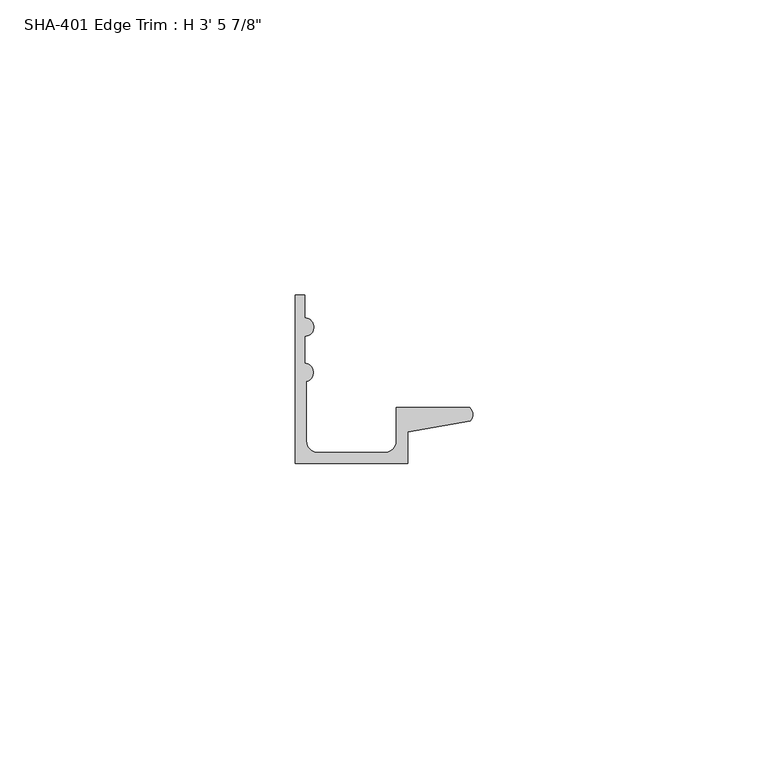
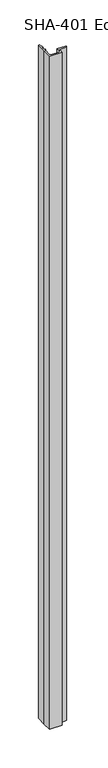
"""IFC4 building model written with IfcOpenShell, lengths in millimetres: proxy geometry."""

from ifc_helpers import new_model, si_unit, point, frame_2d, origin, origin_with_axes, place, context, project, spatial, polyline, circle_curve, trimmed, segment, composite_curve, outline, extrude, source, transform, mapped, element, save


def proxy_ce0f4db1(model_context):
    return source(origin(), model_context, "Body", "SweptSolid", [
        extrude(outline(composite_curve([segment(polyline([(29.6006869, 7.2036308), (19.0246, 5.392657), (19.0246, 0.0), (0.0, 0.0), (0.0, 13.8696178), (0.0, 28.575), (1.5748, 28.575), (1.5748, 24.7045919)]), True, "CONTINUOUS"), segment(trimmed(circle_curve(frame_2d((1.5748, 23.1297919)), 1.5748), [point((1.5748, 24.7045919))], [point((1.5748, 21.5549919))], False, "CARTESIAN"), True, "CONTINUOUS"), segment(polyline([(1.5748, 21.5549919), (1.5748, 17.018)]), True, "CONTINUOUS"), segment(trimmed(circle_curve(frame_2d((1.4838146, 15.4432)), 1.5774262), [point((1.5748, 17.018))], [point((1.905, 13.9230434))], False, "CARTESIAN"), True, "CONTINUOUS"), segment(polyline([(1.905, 13.9230434), (1.905, 3.81)]), True, "CONTINUOUS"), segment(trimmed(circle_curve(frame_2d((3.81, 3.81)), 1.905), [point((1.905, 3.81))], [point((3.81, 1.905))], True, "CARTESIAN"), True, "CONTINUOUS"), segment(polyline([(3.81, 1.905), (15.2146, 1.905)]), True, "CONTINUOUS"), segment(trimmed(circle_curve(frame_2d((15.2146, 3.81)), 1.905), [point((15.2146, 1.905))], [point((17.1196, 3.81))], True, "CARTESIAN"), True, "CONTINUOUS"), segment(polyline([(17.1196, 3.81), (17.1196, 9.525), (29.5346031, 9.525)]), True, "CONTINUOUS"), segment(trimmed(circle_curve(frame_2d((28.4438454, 8.3323235)), 1.6162393), [point((29.5346031, 9.525))], [point((29.6006869, 7.2036308))], False, "CARTESIAN"), True, "CONTINUOUS")], self_intersect=False)), origin_with_axes(), (0.0, 0.0, 1.0), 1063.625),
    ])


if __name__ == "__main__":
    model = new_model("IFC4")
    model_context = context("Model", 3, world=origin())
    ifc_project = project(units=[si_unit("LENGTHUNIT", "METRE", prefix="MILLI")], contexts=[model_context])
    site = spatial("IfcSite", under=ifc_project)
    building = spatial("IfcBuilding", under=site)
    placement = place(None, origin())
    proxy_shape = proxy_ce0f4db1(model_context)
    element("IfcBuildingElementProxy", 1, Name="SHA-401 Edge Trim : H 3' 5 7/8\"", ObjectType="SHA-401 Edge Trim : H 3' 5 7/8\"", at=placement, inside=building, context=model_context, shape_type="MappedRepresentation", body=[
        mapped(proxy_shape, transform((0.0, 0.0, 0.0), x_axis=(1.0, 0.0, 0.0), y_axis=(0.0, 1.0, 0.0), z_axis=(0.0, 0.0, 1.0))),
    ])
    save(model, "model.ifc")
